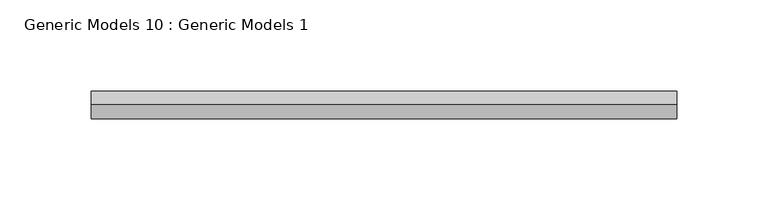
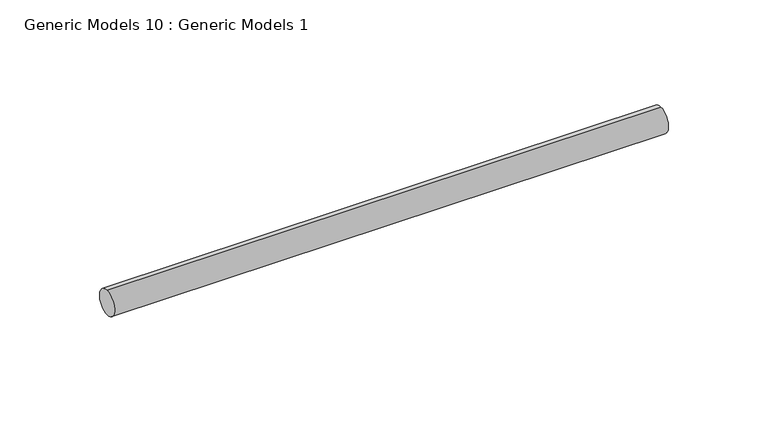
"""IFC4 building model written with IfcOpenShell, lengths in millimetres: proxy geometry, Generic Models 10 : Generic Models 1."""

import ifcopenshell
import ifcopenshell.guid

model = None  # the IFC model being written
_history = None  # IfcOwnerHistory: only IFC2X3 demands one
_inside = {}  # id of a spatial element -> (the spatial element, [elements in it])
_under = {}  # id of a project, library or spatial element -> (it, [spatial elements below it])
_declared = {}  # id of a project -> (the project, [libraries it declares])
_typed = {}  # id of a type object -> (the type object, [elements of that type])
_made_of = {}  # id of a material, layer set ... -> (it, [elements and type objects made of it])


def new_model(schema):
    """Start an empty IFC model of exactly this schema.

    Asked for "IFC4X3", IfcOpenShell would pick the latest addendum, in which some entities
    have other attributes; the version numbers below select the first issue.
    IFC2X3 requires an IfcOwnerHistory on every rooted entity: one is made here for all.
    """
    global model, _history
    if schema == "IFC4X3":
        model = ifcopenshell.file(schema_version=(4, 3, 0, 0))
    else:
        model = ifcopenshell.file(schema=schema)
    _inside.clear()
    _under.clear()
    _declared.clear()
    _typed.clear()
    _made_of.clear()
    _history = None
    if model.schema == "IFC2X3":
        org = make("IfcOrganization", Name="unknown")
        user = make(
            "IfcPersonAndOrganization",
            ThePerson=make("IfcPerson", FamilyName="unknown"),
            TheOrganization=org,
        )
        app = make(
            "IfcApplication",
            ApplicationDeveloper=org,
            Version="unknown",
            ApplicationFullName="unknown",
            ApplicationIdentifier="unknown",
        )
        _history = make(
            "IfcOwnerHistory",
            OwningUser=user,
            OwningApplication=app,
            ChangeAction="ADDED",
            CreationDate=0,
        )
    return model


def make(cls, **values):
    """One entity of the class cls with the attributes given. An attribute that is None is left unset."""
    return model.create_entity(
        cls, **{name: value for name, value in values.items() if value is not None}
    )


def rooted(cls, **values):
    """An entity with a GlobalId (a new one), such as an element, a storey or a relation."""
    return make(cls, GlobalId=ifcopenshell.guid.new(), OwnerHistory=_history, **values)


def si_unit(unit_type, name, prefix=None):
    """IfcSIUnit, for example si_unit("LENGTHUNIT", "METRE", prefix="MILLI")."""
    return make("IfcSIUnit", UnitType=unit_type, Prefix=prefix, Name=name)


def assignment(units):
    """IfcUnitAssignment: the units of a project."""
    return None if units is None else make("IfcUnitAssignment", Units=units)


def point(xyz):
    """IfcCartesianPoint."""
    return None if xyz is None else make("IfcCartesianPoint", Coordinates=xyz)


def direction(xyz):
    """IfcDirection."""
    return None if xyz is None else make("IfcDirection", DirectionRatios=xyz)


def frame(location, z_axis=None, x_axis=None):
    """IfcAxis2Placement3D, a coordinate frame: its origin and axes. An axis left out is left unset."""
    return make(
        "IfcAxis2Placement3D",
        Location=point(location),
        Axis=direction(z_axis),
        RefDirection=direction(x_axis),
    )


def frame_2d(location, x_axis=None):
    """IfcAxis2Placement2D, a coordinate frame in the plane: its origin and x axis."""
    return make(
        "IfcAxis2Placement2D", Location=point(location), RefDirection=direction(x_axis)
    )


def origin():
    """The frame at (0, 0, 0) with its axes left unset."""
    return frame((0.0, 0.0, 0.0))


def place(relative_to, where):
    """IfcLocalPlacement: puts the frame where relative to a parent placement (None: the world)."""
    return make(
        "IfcLocalPlacement", PlacementRelTo=relative_to, RelativePlacement=where
    )


def context(
    kind, dimensions, precision=None, world=None, true_north=None, identifier=None
):
    """IfcGeometricRepresentationContext, for example the 3D "Model" context."""
    return make(
        "IfcGeometricRepresentationContext",
        ContextIdentifier=identifier,
        ContextType=kind,
        CoordinateSpaceDimension=dimensions,
        Precision=precision,
        WorldCoordinateSystem=world,
        TrueNorth=true_north,
    )


def project(units=None, contexts=None):
    """IfcProject with its units and contexts."""
    return rooted(
        "IfcProject",
        Name="project",
        RepresentationContexts=contexts,
        UnitsInContext=assignment(units),
    )


def spatial(cls, under=None, at=None, **own):
    """A site, building, storey or space (cls), placed at a placement, below another one or the project."""
    s = rooted(cls, ObjectPlacement=at, **own)
    if under is not None:
        _under.setdefault(under.id(), (under, []))[1].append(s)
    return s


def circle_curve(where, radius):
    """IfcCircle in the frame where."""
    return make("IfcCircle", Position=where, Radius=radius)


def trimmed(basis, trim1, trim2, sense, master):
    """IfcTrimmedCurve: the piece of a basis curve between two trims."""
    return make(
        "IfcTrimmedCurve",
        BasisCurve=basis,
        Trim1=trim1,
        Trim2=trim2,
        SenseAgreement=sense,
        MasterRepresentation=master,
    )


def segment(curve, same_sense, transition):
    """IfcCompositeCurveSegment."""
    return make(
        "IfcCompositeCurveSegment",
        Transition=transition,
        SameSense=same_sense,
        ParentCurve=curve,
    )


def composite_curve(segments, self_intersect=None):
    """IfcCompositeCurve: segments joined end to end."""
    return make("IfcCompositeCurve", Segments=segments, SelfIntersect=self_intersect)


def outline(outer, holes=None, kind="AREA"):
    """IfcArbitraryClosedProfileDef: a profile drawn as a closed curve; with holes, ...WithVoids."""
    if holes is None:
        return make("IfcArbitraryClosedProfileDef", ProfileType=kind, OuterCurve=outer)
    return make(
        "IfcArbitraryProfileDefWithVoids",
        ProfileType=kind,
        OuterCurve=outer,
        InnerCurves=holes,
    )


def extrude(swept, where, along, depth):
    """IfcExtrudedAreaSolid: the profile swept, set in the frame where, extruded along a direction by depth."""
    return make(
        "IfcExtrudedAreaSolid",
        SweptArea=swept,
        Position=where,
        ExtrudedDirection=direction(along),
        Depth=depth,
    )


def shape(context_of_items, identifier, shape_type, items):
    """IfcShapeRepresentation: the items that make up one representation, for example the "Body"."""
    return make(
        "IfcShapeRepresentation",
        ContextOfItems=context_of_items,
        RepresentationIdentifier=identifier,
        RepresentationType=shape_type,
        Items=items,
    )


def source(mapping_origin, context_of_items, identifier, shape_type, items):
    """IfcRepresentationMap: a shape defined once, which mapped items show again and again."""
    return make(
        "IfcRepresentationMap",
        MappingOrigin=mapping_origin,
        MappedRepresentation=shape(context_of_items, identifier, shape_type, items),
    )


def transform(
    local_origin,
    x_axis=None,
    y_axis=None,
    z_axis=None,
    scale=None,
    scale2=None,
    scale3=None,
    uniform=True,
):
    """IfcCartesianTransformationOperator3D, or its non-uniform kind. x_axis, y_axis, z_axis: its Axis1, 2, 3."""
    if uniform:
        return make(
            "IfcCartesianTransformationOperator3D",
            Axis1=direction(x_axis),
            Axis2=direction(y_axis),
            LocalOrigin=point(local_origin),
            Scale=scale,
            Axis3=direction(z_axis),
        )
    return make(
        "IfcCartesianTransformationOperator3DnonUniform",
        Axis1=direction(x_axis),
        Axis2=direction(y_axis),
        LocalOrigin=point(local_origin),
        Scale=scale,
        Axis3=direction(z_axis),
        Scale2=scale2,
        Scale3=scale3,
    )


def mapped(mapping_source, mapping_target):
    """IfcMappedItem: shows the shape of a source again, moved by a transform."""
    return make(
        "IfcMappedItem", MappingSource=mapping_source, MappingTarget=mapping_target
    )


def made_of(thing, what):
    """Note that an element or type object is made of a material, layer set ...; save() writes the relation."""
    if what is not None:
        _made_of.setdefault(what.id(), (what, []))[1].append(thing)
    return thing


def element(
    cls,
    number,
    at=None,
    inside=None,
    cuts=None,
    type_object=None,
    material=None,
    context=None,
    identifier="Body",
    shape_type=None,
    held_by="IfcProductDefinitionShape",
    body=None,
    shapes=None,
    **own,
):
    """One element of the class cls, such as IfcWall. Its Tag is "e" and its number.

    at: its placement. inside: the storey or other place that contains it. cuts: it is an
    opening in that element (IfcRelVoidsElement). A single representation is given by context,
    identifier, shape_type and body (its items); several are given by shapes. held_by: the class
    of the entity that holds the representations. save() writes the other relations.
    """
    e = rooted(cls, Tag="e%d" % number, ObjectPlacement=at, **own)
    if body is not None:
        shapes = [shape(context, identifier, shape_type, body)]
    if shapes is not None:
        e.Representation = make(held_by, Representations=shapes)
    if inside is not None:
        _inside.setdefault(inside.id(), (inside, []))[1].append(e)
    if cuts is not None:
        rooted(
            "IfcRelVoidsElement", RelatingBuildingElement=cuts, RelatedOpeningElement=e
        )
    if type_object is not None:
        _typed.setdefault(type_object.id(), (type_object, []))[1].append(e)
    return made_of(e, material)


def aggregate(whole, parts):
    """IfcRelAggregates: a whole, such as a stair, and the parts it consists of."""
    return rooted("IfcRelAggregates", RelatingObject=whole, RelatedObjects=parts)


def save(model, path):
    """Write the relations noted so far, then the file.

    IfcRelAggregates (storeys below a building ...), IfcRelContainedInSpatialStructure (elements
    in a storey), IfcRelDefinesByType, IfcRelAssociatesMaterial and IfcRelDeclares: one each for
    every whole, place, type object, material and project.
    """
    for whole, parts in _under.values():
        aggregate(whole, parts)
    for where, things in _inside.values():
        rooted(
            "IfcRelContainedInSpatialStructure",
            RelatedElements=things,
            RelatingStructure=where,
        )
    for kind, things in _typed.values():
        rooted("IfcRelDefinesByType", RelatedObjects=things, RelatingType=kind)
    for what, things in _made_of.values():
        rooted("IfcRelAssociatesMaterial", RelatedObjects=things, RelatingMaterial=what)
    for by, libraries in _declared.values():
        rooted("IfcRelDeclares", RelatingContext=by, RelatedDefinitions=libraries)
    model.write(path)


def generic_models_10_generic_models_1_04effa75(model_context):
    return source(origin(), model_context, "Body", "SweptSolid", [
        extrude(outline(composite_curve([segment(trimmed(circle_curve(frame_2d((400.3057469, -818.1141294)), 7.5), [point((400.3057469, -825.6141294))], [point((400.3057469, -810.6141294))], False, "CARTESIAN"), True, "CONTINUOUS"), segment(trimmed(circle_curve(frame_2d((400.3057469, -818.1141294)), 7.5), [point((400.3057469, -810.6141294))], [point((400.3057469, -825.6141294))], False, "CARTESIAN"), True, "CONTINUOUS")], self_intersect=False)), frame((1701.0795255, 0.0, 0.0), z_axis=(1.0, 0.0, 0.0), x_axis=(0.0, 1.0, 0.0)), (0.0, 0.0, 1.0), 321.0),
    ])


if __name__ == "__main__":
    model = new_model("IFC4")
    model_context = context("Model", 3, world=origin())
    ifc_project = project(units=[si_unit("LENGTHUNIT", "METRE", prefix="MILLI")], contexts=[model_context])
    site = spatial("IfcSite", under=ifc_project)
    building = spatial("IfcBuilding", under=site)
    placement = place(None, origin())
    generic_models_10_generic_models_1_shape = generic_models_10_generic_models_1_04effa75(model_context)
    element("IfcBuildingElementProxy", 1, Name="Generic Models 10 : Generic Models 1", ObjectType="Generic Models 10 : Generic Models 1", at=placement, inside=building, context=model_context, shape_type="MappedRepresentation", body=[
        mapped(generic_models_10_generic_models_1_shape, transform((0.0, 0.0, 0.0), x_axis=(1.0, 0.0, 0.0), y_axis=(0.0, 1.0, 0.0), z_axis=(0.0, 0.0, 1.0))),
    ])
    save(model, "model.ifc")
